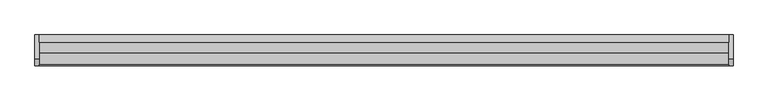
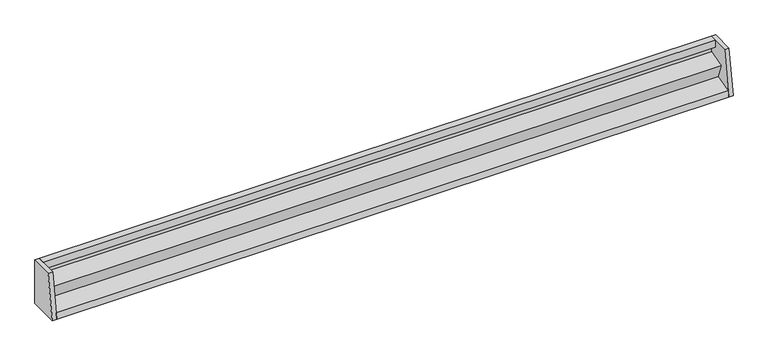
"""IFC4 building model written with IfcOpenShell, lengths in millimetres: furniture geometry."""

import ifcopenshell
import ifcopenshell.guid

model = None  # the IFC model being written
_history = None  # IfcOwnerHistory: only IFC2X3 demands one
_inside = {}  # id of a spatial element -> (the spatial element, [elements in it])
_under = {}  # id of a project, library or spatial element -> (it, [spatial elements below it])
_declared = {}  # id of a project -> (the project, [libraries it declares])
_typed = {}  # id of a type object -> (the type object, [elements of that type])
_made_of = {}  # id of a material, layer set ... -> (it, [elements and type objects made of it])


def new_model(schema):
    """Start an empty IFC model of exactly this schema.

    Asked for "IFC4X3", IfcOpenShell would pick the latest addendum, in which some entities
    have other attributes; the version numbers below select the first issue.
    IFC2X3 requires an IfcOwnerHistory on every rooted entity: one is made here for all.
    """
    global model, _history
    if schema == "IFC4X3":
        model = ifcopenshell.file(schema_version=(4, 3, 0, 0))
    else:
        model = ifcopenshell.file(schema=schema)
    _inside.clear()
    _under.clear()
    _declared.clear()
    _typed.clear()
    _made_of.clear()
    _history = None
    if model.schema == "IFC2X3":
        org = make("IfcOrganization", Name="unknown")
        user = make(
            "IfcPersonAndOrganization",
            ThePerson=make("IfcPerson", FamilyName="unknown"),
            TheOrganization=org,
        )
        app = make(
            "IfcApplication",
            ApplicationDeveloper=org,
            Version="unknown",
            ApplicationFullName="unknown",
            ApplicationIdentifier="unknown",
        )
        _history = make(
            "IfcOwnerHistory",
            OwningUser=user,
            OwningApplication=app,
            ChangeAction="ADDED",
            CreationDate=0,
        )
    return model


def make(cls, **values):
    """One entity of the class cls with the attributes given. An attribute that is None is left unset."""
    return model.create_entity(
        cls, **{name: value for name, value in values.items() if value is not None}
    )


def rooted(cls, **values):
    """An entity with a GlobalId (a new one), such as an element, a storey or a relation."""
    return make(cls, GlobalId=ifcopenshell.guid.new(), OwnerHistory=_history, **values)


def si_unit(unit_type, name, prefix=None):
    """IfcSIUnit, for example si_unit("LENGTHUNIT", "METRE", prefix="MILLI")."""
    return make("IfcSIUnit", UnitType=unit_type, Prefix=prefix, Name=name)


def assignment(units):
    """IfcUnitAssignment: the units of a project."""
    return None if units is None else make("IfcUnitAssignment", Units=units)


def point(xyz):
    """IfcCartesianPoint."""
    return None if xyz is None else make("IfcCartesianPoint", Coordinates=xyz)


def direction(xyz):
    """IfcDirection."""
    return None if xyz is None else make("IfcDirection", DirectionRatios=xyz)


def frame(location, z_axis=None, x_axis=None):
    """IfcAxis2Placement3D, a coordinate frame: its origin and axes. An axis left out is left unset."""
    return make(
        "IfcAxis2Placement3D",
        Location=point(location),
        Axis=direction(z_axis),
        RefDirection=direction(x_axis),
    )


def origin():
    """The frame at (0, 0, 0) with its axes left unset."""
    return frame((0.0, 0.0, 0.0))


def place(relative_to, where):
    """IfcLocalPlacement: puts the frame where relative to a parent placement (None: the world)."""
    return make(
        "IfcLocalPlacement", PlacementRelTo=relative_to, RelativePlacement=where
    )


def context(
    kind, dimensions, precision=None, world=None, true_north=None, identifier=None
):
    """IfcGeometricRepresentationContext, for example the 3D "Model" context."""
    return make(
        "IfcGeometricRepresentationContext",
        ContextIdentifier=identifier,
        ContextType=kind,
        CoordinateSpaceDimension=dimensions,
        Precision=precision,
        WorldCoordinateSystem=world,
        TrueNorth=true_north,
    )


def project(units=None, contexts=None):
    """IfcProject with its units and contexts."""
    return rooted(
        "IfcProject",
        Name="project",
        RepresentationContexts=contexts,
        UnitsInContext=assignment(units),
    )


def spatial(cls, under=None, at=None, **own):
    """A site, building, storey or space (cls), placed at a placement, below another one or the project."""
    s = rooted(cls, ObjectPlacement=at, **own)
    if under is not None:
        _under.setdefault(under.id(), (under, []))[1].append(s)
    return s


def polyline(points):
    """IfcPolyline through the points."""
    return make("IfcPolyline", Points=[point(p) for p in points])


def outline(outer, holes=None, kind="AREA"):
    """IfcArbitraryClosedProfileDef: a profile drawn as a closed curve; with holes, ...WithVoids."""
    if holes is None:
        return make("IfcArbitraryClosedProfileDef", ProfileType=kind, OuterCurve=outer)
    return make(
        "IfcArbitraryProfileDefWithVoids",
        ProfileType=kind,
        OuterCurve=outer,
        InnerCurves=holes,
    )


def extrude(swept, where, along, depth):
    """IfcExtrudedAreaSolid: the profile swept, set in the frame where, extruded along a direction by depth."""
    return make(
        "IfcExtrudedAreaSolid",
        SweptArea=swept,
        Position=where,
        ExtrudedDirection=direction(along),
        Depth=depth,
    )


def shape(context_of_items, identifier, shape_type, items):
    """IfcShapeRepresentation: the items that make up one representation, for example the "Body"."""
    return make(
        "IfcShapeRepresentation",
        ContextOfItems=context_of_items,
        RepresentationIdentifier=identifier,
        RepresentationType=shape_type,
        Items=items,
    )


def source(mapping_origin, context_of_items, identifier, shape_type, items):
    """IfcRepresentationMap: a shape defined once, which mapped items show again and again."""
    return make(
        "IfcRepresentationMap",
        MappingOrigin=mapping_origin,
        MappedRepresentation=shape(context_of_items, identifier, shape_type, items),
    )


def transform(
    local_origin,
    x_axis=None,
    y_axis=None,
    z_axis=None,
    scale=None,
    scale2=None,
    scale3=None,
    uniform=True,
):
    """IfcCartesianTransformationOperator3D, or its non-uniform kind. x_axis, y_axis, z_axis: its Axis1, 2, 3."""
    if uniform:
        return make(
            "IfcCartesianTransformationOperator3D",
            Axis1=direction(x_axis),
            Axis2=direction(y_axis),
            LocalOrigin=point(local_origin),
            Scale=scale,
            Axis3=direction(z_axis),
        )
    return make(
        "IfcCartesianTransformationOperator3DnonUniform",
        Axis1=direction(x_axis),
        Axis2=direction(y_axis),
        LocalOrigin=point(local_origin),
        Scale=scale,
        Axis3=direction(z_axis),
        Scale2=scale2,
        Scale3=scale3,
    )


def mapped(mapping_source, mapping_target):
    """IfcMappedItem: shows the shape of a source again, moved by a transform."""
    return make(
        "IfcMappedItem", MappingSource=mapping_source, MappingTarget=mapping_target
    )


def made_of(thing, what):
    """Note that an element or type object is made of a material, layer set ...; save() writes the relation."""
    if what is not None:
        _made_of.setdefault(what.id(), (what, []))[1].append(thing)
    return thing


def element(
    cls,
    number,
    at=None,
    inside=None,
    cuts=None,
    type_object=None,
    material=None,
    context=None,
    identifier="Body",
    shape_type=None,
    held_by="IfcProductDefinitionShape",
    body=None,
    shapes=None,
    **own,
):
    """One element of the class cls, such as IfcWall. Its Tag is "e" and its number.

    at: its placement. inside: the storey or other place that contains it. cuts: it is an
    opening in that element (IfcRelVoidsElement). A single representation is given by context,
    identifier, shape_type and body (its items); several are given by shapes. held_by: the class
    of the entity that holds the representations. save() writes the other relations.
    """
    e = rooted(cls, Tag="e%d" % number, ObjectPlacement=at, **own)
    if body is not None:
        shapes = [shape(context, identifier, shape_type, body)]
    if shapes is not None:
        e.Representation = make(held_by, Representations=shapes)
    if inside is not None:
        _inside.setdefault(inside.id(), (inside, []))[1].append(e)
    if cuts is not None:
        rooted(
            "IfcRelVoidsElement", RelatingBuildingElement=cuts, RelatedOpeningElement=e
        )
    if type_object is not None:
        _typed.setdefault(type_object.id(), (type_object, []))[1].append(e)
    return made_of(e, material)


def aggregate(whole, parts):
    """IfcRelAggregates: a whole, such as a stair, and the parts it consists of."""
    return rooted("IfcRelAggregates", RelatingObject=whole, RelatedObjects=parts)


def save(model, path):
    """Write the relations noted so far, then the file.

    IfcRelAggregates (storeys below a building ...), IfcRelContainedInSpatialStructure (elements
    in a storey), IfcRelDefinesByType, IfcRelAssociatesMaterial and IfcRelDeclares: one each for
    every whole, place, type object, material and project.
    """
    for whole, parts in _under.values():
        aggregate(whole, parts)
    for where, things in _inside.values():
        rooted(
            "IfcRelContainedInSpatialStructure",
            RelatedElements=things,
            RelatingStructure=where,
        )
    for kind, things in _typed.values():
        rooted("IfcRelDefinesByType", RelatedObjects=things, RelatingType=kind)
    for what, things in _made_of.values():
        rooted("IfcRelAssociatesMaterial", RelatedObjects=things, RelatingMaterial=what)
    for by, libraries in _declared.values():
        rooted("IfcRelDeclares", RelatingContext=by, RelatedDefinitions=libraries)
    model.write(path)


def furniture_30efbeb0(model_context):
    return source(origin(), model_context, "Body", "SweptSolid", [
        extrude(outline(polyline([(14.2875, 1572.62068), (26.9875, 1572.62068), (26.9875, 1490.07068), (-26.9875, 1490.07068), (-25.2857, 1501.1273), (5.38226, 1509.3442), (-4.11226, 1535.94054), (26.19375, 1544.27428), (26.19375, 1559.92068), (14.2875, 1559.92068), (14.2875, 1572.62068)])), frame((-601.6625, 0.0, 0.0), z_axis=(1.0, 0.0, 0.0), x_axis=(0.0, 1.0, 0.0)), (0.0, 0.0, 1.0), 1203.325),
        extrude(outline(polyline([(-14.2875, 1572.62068), (26.9875, 1572.62068), (26.9875, 1490.07068), (-26.9875, 1490.07068), (-14.2875, 1572.62068)])), frame((-609.6, 0.0, 0.0), z_axis=(1.0, 0.0, 0.0), x_axis=(0.0, 1.0, 0.0)), (0.0, 0.0, 1.0), 7.9375),
        extrude(outline(polyline([(-14.2875, 1572.62068), (26.9875, 1572.62068), (26.9875, 1490.07068), (-26.9875, 1490.07068), (-14.2875, 1572.62068)])), frame((601.6625, 0.0, 0.0), z_axis=(1.0, 0.0, 0.0), x_axis=(0.0, 1.0, 0.0)), (0.0, 0.0, 1.0), 7.9375),
    ])


if __name__ == "__main__":
    model = new_model("IFC4")
    model_context = context("Model", 3, world=origin())
    ifc_project = project(units=[si_unit("LENGTHUNIT", "METRE", prefix="MILLI")], contexts=[model_context])
    site = spatial("IfcSite", under=ifc_project)
    building = spatial("IfcBuilding", under=site)
    placement = place(None, origin())
    furniture_shape = furniture_30efbeb0(model_context)
    element("IfcFurniture", 1, at=placement, inside=building, context=model_context, shape_type="MappedRepresentation", body=[
        mapped(furniture_shape, transform((0.0, 0.0, 0.0), x_axis=(1.0, 0.0, 0.0), y_axis=(0.0, 1.0, 0.0), z_axis=(0.0, 0.0, 1.0))),
    ])
    save(model, "model.ifc")
